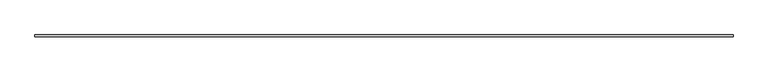
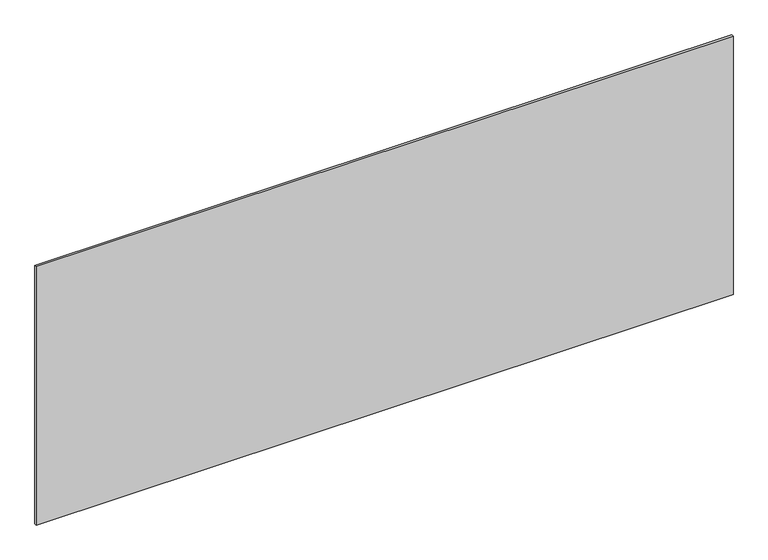
"""IFC4 building model written with IfcOpenShell, lengths in millimetres: plate geometry."""

from ifc_helpers import new_model, si_unit, origin, origin_with_axes, place, context, project, spatial, polyline, outline, extrude, source, transform, mapped, element, save


def plate_ab7e929b(model_context):
    return source(origin(), model_context, "Body", "SweptSolid", [
        extrude(outline(polyline([(1697.5, -5.0), (-1697.5, -5.0), (-1697.5, 5.0), (1697.5, 5.0), (1697.5, -5.0)])), origin_with_axes(), (0.0, 0.0, 1.0), 1331.9755531),
    ])


if __name__ == "__main__":
    model = new_model("IFC4")
    model_context = context("Model", 3, world=origin())
    ifc_project = project(units=[si_unit("LENGTHUNIT", "METRE", prefix="MILLI")], contexts=[model_context])
    site = spatial("IfcSite", under=ifc_project)
    building = spatial("IfcBuilding", under=site)
    placement = place(None, origin())
    plate_shape = plate_ab7e929b(model_context)
    element("IfcPlate", 1, at=placement, inside=building, context=model_context, shape_type="MappedRepresentation", body=[
        mapped(plate_shape, transform((0.0, 0.0, 0.0), x_axis=(1.0, 0.0, 0.0), y_axis=(0.0, 1.0, 0.0), z_axis=(0.0, 0.0, 1.0))),
    ])
    save(model, "model.ifc")
